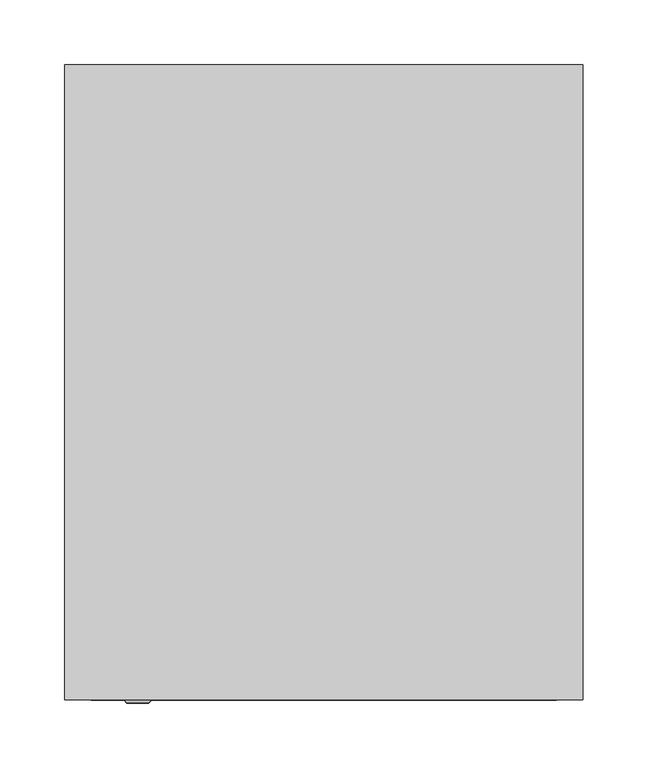
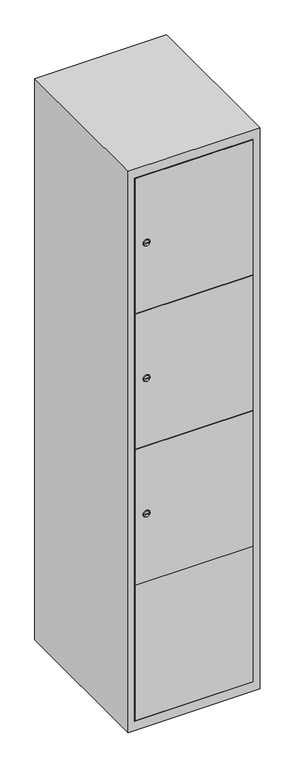
"""IFC4 building model written with IfcOpenShell, lengths in millimetres: furniture geometry."""

from ifc_helpers import new_model, si_unit, point, frame, frame_2d, origin, place, context, project, spatial, polyline, circle_curve, trimmed, segment, composite_curve, outline, extrude, faceted_brep, source, transform, mapped, element, save
from ifc_brep_helpers import plane_surface, revolved_surface, advanced_brep


def furniture_e6e6384c(model_context):
    return source(origin(), model_context, "Body", "SolidModel", [
        extrude(outline(composite_curve([segment(trimmed(circle_curve(frame_2d((717.8, -170.3989466)), 7.0), [point((724.8, -170.3989466))], [point((710.8, -170.3989466))], False, "CARTESIAN"), True, "CONTINUOUS"), segment(polyline([(710.8, -170.3989466), (710.8, -142.3989466)]), True, "CONTINUOUS"), segment(trimmed(circle_curve(frame_2d((717.8, -142.3989466)), 7.0), [point((710.8, -142.3989466))], [point((724.8, -142.3989466))], False, "CARTESIAN"), True, "CONTINUOUS"), segment(polyline([(724.8, -142.3989466), (724.8, -170.3989466)]), True, "CONTINUOUS")], self_intersect=False)), frame((0.0, -227.0, 0.0), z_axis=(0.0, 1.0, 0.0), x_axis=(0.0, 0.0, 1.0)), (0.0, 0.0, 1.0), 2.0),
        advanced_brep(
        [(-135.1, -247.2, 717.8), (-152.1, -247.2, 717.8), (-148.6, -247.2, 716.55), (-148.6, -247.2, 719.05), (-138.6, -247.2, 719.05), (-138.6, -247.2, 716.55), (-133.1, -245.0, 717.8), (-154.1, -245.0, 717.8), (-148.6, -245.0, 719.05), (-148.6, -245.0, 716.55), (-138.6, -245.0, 716.55), (-138.6, -245.0, 719.05)],
        [
            (0, 1, circle_curve(frame((-143.6, -247.2, 717.8), z_axis=(0.0, -1.0, 0.0), x_axis=(1.0, 0.0, 0.0)), 8.5)),
            (1, 0, circle_curve(frame((-143.6, -247.2, 717.8), z_axis=(0.0, -1.0, 0.0), x_axis=(-1.0, 0.0, 0.0)), 8.5)),
            (2, 3),
            (3, 4),
            (4, 5),
            (5, 2),
            (6, 7, circle_curve(frame((-143.6, -245.0, 717.8), z_axis=(0.0, 1.0, 0.0), x_axis=(-1.0, 0.0, 0.0)), 10.5)),
            (7, 6, circle_curve(frame((-143.6, -245.0, 717.8), z_axis=(0.0, 1.0, 0.0), x_axis=(1.0, 0.0, 0.0)), 10.5)),
            (8, 9),
            (9, 10),
            (10, 11),
            (11, 8),
            (0, 6),
            (7, 1),
            (8, 3),
            (2, 9),
            (11, 4),
            (10, 5),
        ],
        [
            plane_surface(frame((-143.6, -247.2, 717.8), z_axis=(0.0, -1.0, 0.0), x_axis=(0.0, 0.0, 1.0))),
            plane_surface(frame((-143.6, -245.0, 717.8), z_axis=(0.0, 1.0, 0.0), x_axis=(0.0, 0.0, 1.0))),
            revolved_surface(polyline([(-135.1, -247.2, 717.8), (-133.1, -245.0, 717.8)]), (-143.6, -256.55, 717.8), (0.0, 1.0, 0.0)),
            revolved_surface(polyline([(-152.1, -247.2, 717.8), (-154.1, -245.0, 717.8)]), (-143.6, -256.55, 717.8), (0.0, 1.0, 0.0)),
            plane_surface(frame((-148.6, -245.0, 716.55), z_axis=(1.0, 0.0, 0.0), x_axis=(0.0, -1.0, 0.0))),
            plane_surface(frame((-148.6, -245.0, 719.05), z_axis=(0.0, 0.0, -1.0), x_axis=(0.0, -1.0, 0.0))),
            plane_surface(frame((-138.6, -245.0, 719.05), z_axis=(-1.0, 0.0, 0.0), x_axis=(0.0, -1.0, 0.0))),
            plane_surface(frame((-138.6, -245.0, 716.55), z_axis=(0.0, 0.0, 1.0), x_axis=(0.0, -1.0, 0.0))),
        ],
        [
            (0, [[1, 2], [3, 4, 5, 6]]),
            (1, [[7, 8], [9, 10, 11, 12]]),
            (2, [[-1, 13, -8, 14]]),
            (3, [[-2, -14, -7, -13]]),
            (4, [[15, -3, 16, -9]]),
            (5, [[-15, -12, 17, -4]]),
            (6, [[-17, -11, 18, -5]]),
            (7, [[-16, -6, -18, -10]]),
        ],
    ),
        extrude(outline(composite_curve([segment(trimmed(circle_curve(frame_2d((1152.2, -170.3989466)), 7.0), [point((1159.2, -170.3989466))], [point((1145.2, -170.3989466))], False, "CARTESIAN"), True, "CONTINUOUS"), segment(polyline([(1145.2, -170.3989466), (1145.2, -142.3989466)]), True, "CONTINUOUS"), segment(trimmed(circle_curve(frame_2d((1152.2, -142.3989466)), 7.0), [point((1145.2, -142.3989466))], [point((1159.2, -142.3989466))], False, "CARTESIAN"), True, "CONTINUOUS"), segment(polyline([(1159.2, -142.3989466), (1159.2, -170.3989466)]), True, "CONTINUOUS")], self_intersect=False)), frame((0.0, -227.0, 0.0), z_axis=(0.0, 1.0, 0.0), x_axis=(0.0, 0.0, 1.0)), (0.0, 0.0, 1.0), 2.0),
        advanced_brep(
        [(-135.1, -247.2, 1152.2), (-152.1, -247.2, 1152.2), (-148.6, -247.2, 1150.95), (-148.6, -247.2, 1153.45), (-138.6, -247.2, 1153.45), (-138.6, -247.2, 1150.95), (-133.1, -245.0, 1152.2), (-154.1, -245.0, 1152.2), (-148.6, -245.0, 1153.45), (-148.6, -245.0, 1150.95), (-138.6, -245.0, 1150.95), (-138.6, -245.0, 1153.45)],
        [
            (0, 1, circle_curve(frame((-143.6, -247.2, 1152.2), z_axis=(0.0, -1.0, 0.0), x_axis=(1.0, 0.0, 0.0)), 8.5)),
            (1, 0, circle_curve(frame((-143.6, -247.2, 1152.2), z_axis=(0.0, -1.0, 0.0), x_axis=(-1.0, 0.0, 0.0)), 8.5)),
            (2, 3),
            (3, 4),
            (4, 5),
            (5, 2),
            (6, 7, circle_curve(frame((-143.6, -245.0, 1152.2), z_axis=(0.0, 1.0, 0.0), x_axis=(-1.0, 0.0, 0.0)), 10.5)),
            (7, 6, circle_curve(frame((-143.6, -245.0, 1152.2), z_axis=(0.0, 1.0, 0.0), x_axis=(1.0, 0.0, 0.0)), 10.5)),
            (8, 9),
            (9, 10),
            (10, 11),
            (11, 8),
            (0, 6),
            (7, 1),
            (8, 3),
            (2, 9),
            (11, 4),
            (10, 5),
        ],
        [
            plane_surface(frame((-143.6, -247.2, 1152.2), z_axis=(0.0, -1.0, 0.0), x_axis=(0.0, 0.0, 1.0))),
            plane_surface(frame((-143.6, -245.0, 1152.2), z_axis=(0.0, 1.0, 0.0), x_axis=(0.0, 0.0, 1.0))),
            revolved_surface(polyline([(-135.1, -247.2, 1152.2), (-133.1, -245.0, 1152.2)]), (-143.6, -256.55, 1152.2), (0.0, 1.0, 0.0)),
            revolved_surface(polyline([(-152.1, -247.2, 1152.2), (-154.1, -245.0, 1152.2)]), (-143.6, -256.55, 1152.2), (0.0, 1.0, 0.0)),
            plane_surface(frame((-148.6, -245.0, 1150.95), z_axis=(1.0, 0.0, 0.0), x_axis=(0.0, -1.0, 0.0))),
            plane_surface(frame((-148.6, -245.0, 1153.45), z_axis=(0.0, 0.0, -1.0), x_axis=(0.0, -1.0, 0.0))),
            plane_surface(frame((-138.6, -245.0, 1153.45), z_axis=(-1.0, 0.0, 0.0), x_axis=(0.0, -1.0, 0.0))),
            plane_surface(frame((-138.6, -245.0, 1150.95), z_axis=(0.0, 0.0, 1.0), x_axis=(0.0, -1.0, 0.0))),
        ],
        [
            (0, [[1, 2], [3, 4, 5, 6]]),
            (1, [[7, 8], [9, 10, 11, 12]]),
            (2, [[-1, 13, -8, 14]]),
            (3, [[-2, -14, -7, -13]]),
            (4, [[15, -3, 16, -9]]),
            (5, [[-15, -12, 17, -4]]),
            (6, [[-17, -11, 18, -5]]),
            (7, [[-16, -6, -18, -10]]),
        ],
    ),
        extrude(outline(composite_curve([segment(trimmed(circle_curve(frame_2d((1586.6, -170.3989466)), 7.0), [point((1593.6, -170.3989466))], [point((1579.6, -170.3989466))], False, "CARTESIAN"), True, "CONTINUOUS"), segment(polyline([(1579.6, -170.3989466), (1579.6, -142.3989466)]), True, "CONTINUOUS"), segment(trimmed(circle_curve(frame_2d((1586.6, -142.3989466)), 7.0), [point((1579.6, -142.3989466))], [point((1593.6, -142.3989466))], False, "CARTESIAN"), True, "CONTINUOUS"), segment(polyline([(1593.6, -142.3989466), (1593.6, -170.3989466)]), True, "CONTINUOUS")], self_intersect=False)), frame((0.0, -227.0, 0.0), z_axis=(0.0, 1.0, 0.0), x_axis=(0.0, 0.0, 1.0)), (0.0, 0.0, 1.0), 2.0),
        advanced_brep(
        [(-135.1, -247.2, 1586.6), (-152.1, -247.2, 1586.6), (-148.6, -247.2, 1585.35), (-148.6, -247.2, 1587.85), (-138.6, -247.2, 1587.85), (-138.6, -247.2, 1585.35), (-133.1, -245.0, 1586.6), (-154.1, -245.0, 1586.6), (-148.6, -245.0, 1587.85), (-148.6, -245.0, 1585.35), (-138.6, -245.0, 1585.35), (-138.6, -245.0, 1587.85)],
        [
            (0, 1, circle_curve(frame((-143.6, -247.2, 1586.6), z_axis=(0.0, -1.0, 0.0), x_axis=(1.0, 0.0, 0.0)), 8.5)),
            (1, 0, circle_curve(frame((-143.6, -247.2, 1586.6), z_axis=(0.0, -1.0, 0.0), x_axis=(-1.0, 0.0, 0.0)), 8.5)),
            (2, 3),
            (3, 4),
            (4, 5),
            (5, 2),
            (6, 7, circle_curve(frame((-143.6, -245.0, 1586.6), z_axis=(0.0, 1.0, 0.0), x_axis=(-1.0, 0.0, 0.0)), 10.5)),
            (7, 6, circle_curve(frame((-143.6, -245.0, 1586.6), z_axis=(0.0, 1.0, 0.0), x_axis=(1.0, 0.0, 0.0)), 10.5)),
            (8, 9),
            (9, 10),
            (10, 11),
            (11, 8),
            (0, 6),
            (7, 1),
            (8, 3),
            (2, 9),
            (11, 4),
            (10, 5),
        ],
        [
            plane_surface(frame((-143.6, -247.2, 1586.6), z_axis=(0.0, -1.0, 0.0), x_axis=(0.0, 0.0, 1.0))),
            plane_surface(frame((-143.6, -245.0, 1586.6), z_axis=(0.0, 1.0, 0.0), x_axis=(0.0, 0.0, 1.0))),
            revolved_surface(polyline([(-135.1, -247.2, 1586.6), (-133.1, -245.0, 1586.6)]), (-143.6, -256.55, 1586.6), (0.0, 1.0, 0.0)),
            revolved_surface(polyline([(-152.1, -247.2, 1586.6), (-154.1, -245.0, 1586.6)]), (-143.6, -256.55, 1586.6), (0.0, 1.0, 0.0)),
            plane_surface(frame((-148.6, -245.0, 1585.35), z_axis=(1.0, 0.0, 0.0), x_axis=(0.0, -1.0, 0.0))),
            plane_surface(frame((-148.6, -245.0, 1587.85), z_axis=(0.0, 0.0, -1.0), x_axis=(0.0, -1.0, 0.0))),
            plane_surface(frame((-138.6, -245.0, 1587.85), z_axis=(-1.0, 0.0, 0.0), x_axis=(0.0, -1.0, 0.0))),
            plane_surface(frame((-138.6, -245.0, 1585.35), z_axis=(0.0, 0.0, 1.0), x_axis=(0.0, -1.0, 0.0))),
        ],
        [
            (0, [[1, 2], [3, 4, 5, 6]]),
            (1, [[7, 8], [9, 10, 11, 12]]),
            (2, [[-1, 13, -8, 14]]),
            (3, [[-2, -14, -7, -13]]),
            (4, [[15, -3, 16, -9]]),
            (5, [[-15, -12, 17, -4]]),
            (6, [[-17, -11, 18, -5]]),
            (7, [[-16, -6, -18, -10]]),
        ],
    ),
        extrude(outline(polyline([(178.6, -227.0), (178.6, -245.0), (-178.6, -245.0), (-178.6, -227.0), (178.6, -227.0)])), frame((0.0, 0.0, 500.1), z_axis=(0.0, 0.0, 1.0), x_axis=(1.0, 0.0, 0.0)), (0.0, 0.0, 1.0), 434.4),
        extrude(outline(polyline([(178.6, -227.0), (178.6, -245.0), (-178.6, -245.0), (-178.6, -227.0), (178.6, -227.0)])), frame((0.0, 0.0, 935.5), z_axis=(0.0, 0.0, 1.0), x_axis=(1.0, 0.0, 0.0)), (0.0, 0.0, 1.0), 433.4),
        extrude(outline(polyline([(-178.6, -245.0), (-178.6, -227.0), (178.6, -227.0), (178.6, -245.0), (-178.6, -245.0)])), frame((0.0, 0.0, 1369.9), z_axis=(0.0, 0.0, 1.0), x_axis=(1.0, 0.0, 0.0)), (0.0, 0.0, 1.0), 433.9),
        extrude(outline(polyline([(178.6, -227.0), (178.6, -245.0), (-178.6, -245.0), (-178.6, -227.0), (178.6, -227.0)])), frame((0.0, 0.0, 66.2), z_axis=(0.0, 0.0, 1.0), x_axis=(1.0, 0.0, 0.0)), (0.0, 0.0, 1.0), 434.9),
        extrude(outline(polyline([(179.6, 242.0), (179.6, -227.0), (-179.6, -227.0), (-179.6, 242.0), (179.6, 242.0)])), frame((0.0, 0.0, 1359.7), z_axis=(0.0, 0.0, 1.0), x_axis=(1.0, 0.0, 0.0)), (0.0, 0.0, 1.0), 20.4),
        extrude(outline(polyline([(179.6, 242.0), (179.6, -227.0), (-179.6, -227.0), (-179.6, 242.0), (179.6, 242.0)])), frame((0.0, 0.0, 924.8), z_axis=(0.0, 0.0, 1.0), x_axis=(1.0, 0.0, 0.0)), (0.0, 0.0, 1.0), 20.4),
        extrude(outline(polyline([(179.6, 242.0), (179.6, -227.0), (-179.6, -227.0), (-179.6, 242.0), (179.6, 242.0)])), frame((0.0, 0.0, 489.9), z_axis=(0.0, 0.0, 1.0), x_axis=(1.0, 0.0, 0.0)), (0.0, 0.0, 1.0), 20.4),
        faceted_brep([(200.0, -245.0, 35.0), (200.0, -245.0, 1835.0), (-200.0, -245.0, 1835.0), (-200.0, -245.0, 35.0), (179.6, -245.0, 1804.8), (179.6, -245.0, 65.2), (-179.6, -245.0, 65.2), (-179.6, -245.0, 1804.8), (200.0, 245.0, 35.0), (-200.0, 245.0, 35.0), (200.0, 245.0, 1835.0), (-200.0, 245.0, 1835.0), (179.6, 242.0, 1804.8), (179.6, 242.0, 65.2), (-200.0, 245.0, 1804.8), (-179.6, 242.0, 1804.8), (-179.6, 242.0, 65.2)], [[[0, 1, 2, 3], [4, 5, 6, 7]], [[8, 0, 3, 9]], [[1, 0, 8, 10]], [[1, 10, 11, 2]], [[4, 12, 13, 5]], [[9, 3, 2, 11, 14]], [[10, 8, 9, 14, 11]], [[12, 15, 16, 13]], [[15, 7, 6, 16]], [[4, 7, 15, 12]], [[6, 5, 13, 16]]]),
    ])


if __name__ == "__main__":
    model = new_model("IFC4")
    model_context = context("Model", 3, world=origin())
    ifc_project = project(units=[si_unit("LENGTHUNIT", "METRE", prefix="MILLI")], contexts=[model_context])
    site = spatial("IfcSite", under=ifc_project)
    building = spatial("IfcBuilding", under=site)
    placement = place(None, origin())
    furniture_shape = furniture_e6e6384c(model_context)
    element("IfcFurniture", 1, at=placement, inside=building, context=model_context, shape_type="MappedRepresentation", body=[
        mapped(furniture_shape, transform((0.0, 0.0, 0.0), x_axis=(1.0, 0.0, 0.0), y_axis=(0.0, 1.0, 0.0), z_axis=(0.0, 0.0, 1.0))),
    ])
    save(model, "model.ifc")
